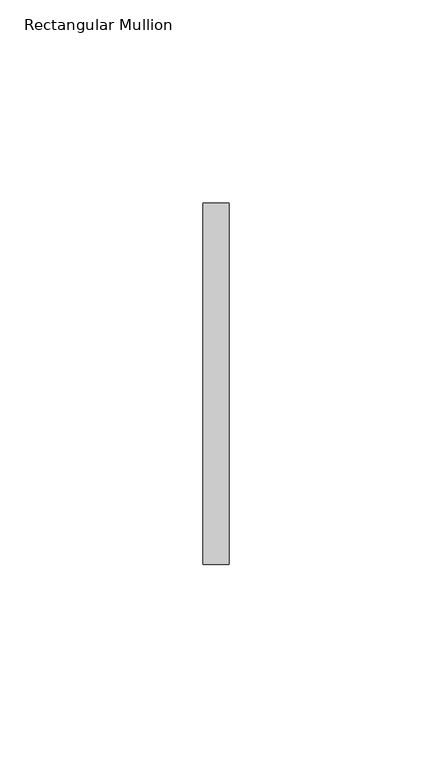
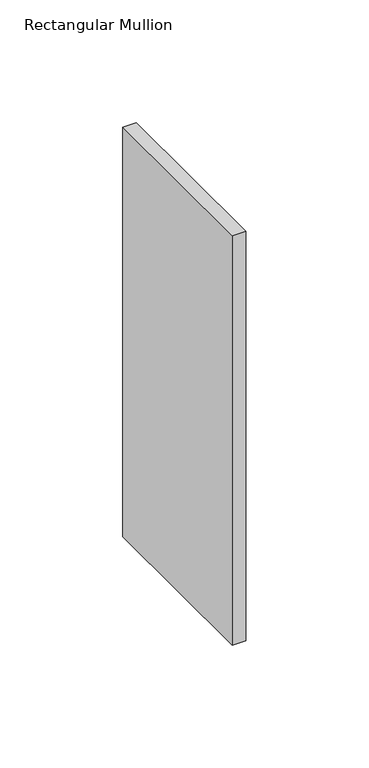
"""IFC4 building model written with IfcOpenShell, lengths in millimetres: member geometry, Rectangular Mullion."""

from ifc_helpers import new_model, si_unit, frame, origin, place, context, project, spatial, polyline, outline, extrude, source, transform, mapped, element, save


def rectangular_mullion_f0d49e12(model_context):
    return source(origin(), model_context, "Body", "SweptSolid", [
        extrude(outline(polyline([(0.0, 44.45), (0.0, -44.45), (-6.35, -44.45), (-6.35, 44.45), (0.0, 44.45)])), frame((0.0, 0.0, -203.1999997), z_axis=(0.0, 0.0, 1.0), x_axis=(1.0, 0.0, 0.0)), (0.0, 0.0, 1.0), 203.1999997),
    ])


if __name__ == "__main__":
    model = new_model("IFC4")
    model_context = context("Model", 3, world=origin())
    ifc_project = project(units=[si_unit("LENGTHUNIT", "METRE", prefix="MILLI")], contexts=[model_context])
    site = spatial("IfcSite", under=ifc_project)
    building = spatial("IfcBuilding", under=site)
    placement = place(None, origin())
    rectangular_mullion_shape = rectangular_mullion_f0d49e12(model_context)
    element("IfcMember", 1, ObjectType="Rectangular Mullion", at=placement, inside=building, context=model_context, shape_type="MappedRepresentation", body=[
        mapped(rectangular_mullion_shape, transform((0.0, 0.0, 0.0), x_axis=(1.0, 0.0, 0.0), y_axis=(0.0, 1.0, 0.0), z_axis=(0.0, 0.0, 1.0))),
    ])
    save(model, "model.ifc")
